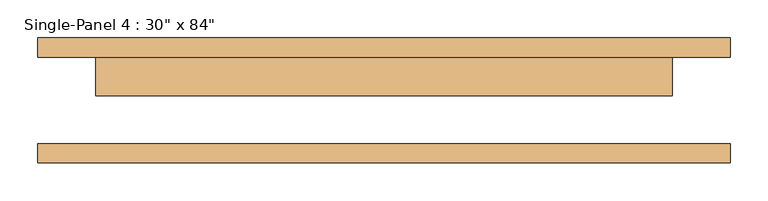
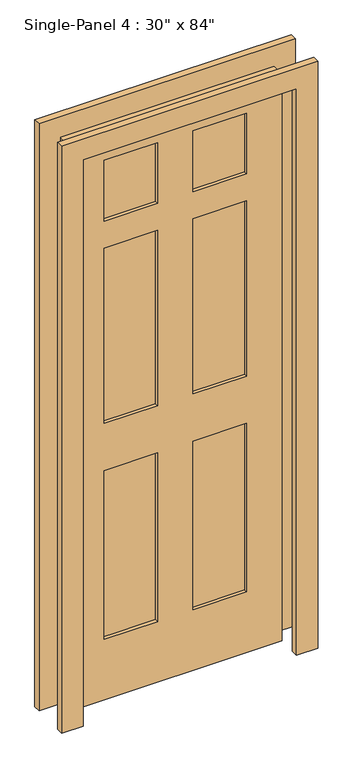
"""IFC4 building model written with IfcOpenShell, lengths in millimetres: door geometry."""

from ifc_helpers import new_model, si_unit, frame, origin, place, context, project, spatial, polyline, outline, extrude, source, transform, mapped, element, save


def door_97546d2f(model_context):
    return source(origin(), model_context, "Body", "SweptSolid", [
        extrude(outline(polyline([(0.0, -457.2), (0.0, -381.0), (2133.6, -381.0), (2133.6, 381.0), (0.0, 381.0), (0.0, 457.2), (2209.8, 457.2), (2209.8, -457.2), (0.0, -457.2)])), frame((0.0, -82.55, 0.0), z_axis=(0.0, 1.0, 0.0), x_axis=(0.0, 0.0, 1.0)), (0.0, 0.0, 1.0), 25.4),
        extrude(outline(polyline([(0.0, 457.2), (2209.8, 457.2), (2209.8, -457.2), (0.0, -457.2), (0.0, -381.0), (2133.6, -381.0), (2133.6, 381.0), (0.0, 381.0), (0.0, 457.2)])), frame((0.0, 57.15, 0.0), z_axis=(0.0, 1.0, 0.0), x_axis=(0.0, 0.0, 1.0)), (0.0, 0.0, 1.0), 25.4),
        extrude(outline(polyline([(-63.5, 19.05), (-254.0, 19.05), (-254.0, 44.45), (-63.5, 44.45), (-63.5, 19.05)])), frame((0.0, 0.0, 1803.4), z_axis=(0.0, 0.0, 1.0), x_axis=(1.0, 0.0, 0.0)), (0.0, 0.0, 1.0), 228.6),
        extrude(outline(polyline([(254.0, 19.05), (63.5, 19.05), (63.5, 44.45), (254.0, 44.45), (254.0, 19.05)])), frame((0.0, 0.0, 1803.4), z_axis=(0.0, 0.0, 1.0), x_axis=(1.0, 0.0, 0.0)), (0.0, 0.0, 1.0), 228.6),
        extrude(outline(polyline([(-63.5, 19.05), (-254.0, 19.05), (-254.0, 44.45), (-63.5, 44.45), (-63.5, 19.05)])), frame((0.0, 0.0, 1041.4), z_axis=(0.0, 0.0, 1.0), x_axis=(1.0, 0.0, 0.0)), (0.0, 0.0, 1.0), 660.4),
        extrude(outline(polyline([(254.0, 19.05), (63.5, 19.05), (63.5, 44.45), (254.0, 44.45), (254.0, 19.05)])), frame((0.0, 0.0, 1041.4), z_axis=(0.0, 0.0, 1.0), x_axis=(1.0, 0.0, 0.0)), (0.0, 0.0, 1.0), 660.4),
        extrude(outline(polyline([(-63.5, 19.05), (-254.0, 19.05), (-254.0, 44.45), (-63.5, 44.45), (-63.5, 19.05)])), frame((0.0, 0.0, 228.6), z_axis=(0.0, 0.0, 1.0), x_axis=(1.0, 0.0, 0.0)), (0.0, 0.0, 1.0), 635.0),
        extrude(outline(polyline([(254.0, 19.05), (63.5, 19.05), (63.5, 44.45), (254.0, 44.45), (254.0, 19.05)])), frame((0.0, 0.0, 228.6), z_axis=(0.0, 0.0, 1.0), x_axis=(1.0, 0.0, 0.0)), (0.0, 0.0, 1.0), 635.0),
        extrude(outline(polyline([(2133.6, 381.0), (2133.6, -381.0), (0.0, -381.0), (0.0, 381.0), (2133.6, 381.0)]), holes=[polyline([(2032.0, -63.5), (1803.4, -63.5), (1803.4, -254.0), (2032.0, -254.0), (2032.0, -63.5)]), polyline([(2032.0, 254.0), (1803.4, 254.0), (1803.4, 63.5), (2032.0, 63.5), (2032.0, 254.0)]), polyline([(1701.8, -63.5), (1041.4, -63.5), (1041.4, -254.0), (1701.8, -254.0), (1701.8, -63.5)]), polyline([(1701.8, 254.0), (1041.4, 254.0), (1041.4, 63.5), (1701.8, 63.5), (1701.8, 254.0)]), polyline([(863.6, -63.5), (228.6, -63.5), (228.6, -254.0), (863.6, -254.0), (863.6, -63.5)]), polyline([(863.6, 254.0), (228.6, 254.0), (228.6, 63.5), (863.6, 63.5), (863.6, 254.0)])]), frame((0.0, 6.35, 0.0), z_axis=(0.0, 1.0, 0.0), x_axis=(0.0, 0.0, 1.0)), (0.0, 0.0, 1.0), 50.8),
    ])


if __name__ == "__main__":
    model = new_model("IFC4")
    model_context = context("Model", 3, world=origin())
    ifc_project = project(units=[si_unit("LENGTHUNIT", "METRE", prefix="MILLI")], contexts=[model_context])
    site = spatial("IfcSite", under=ifc_project)
    building = spatial("IfcBuilding", under=site)
    placement = place(None, origin())
    door_shape = door_97546d2f(model_context)
    element("IfcDoor", 1, ObjectType="Single-Panel 4 : 30\" x 84\"", at=placement, inside=building, context=model_context, shape_type="MappedRepresentation", body=[
        mapped(door_shape, transform((0.0, 0.0, 0.0), x_axis=(1.0, 0.0, 0.0), y_axis=(0.0, 1.0, 0.0), z_axis=(0.0, 0.0, 1.0))),
    ])
    save(model, "model.ifc")
